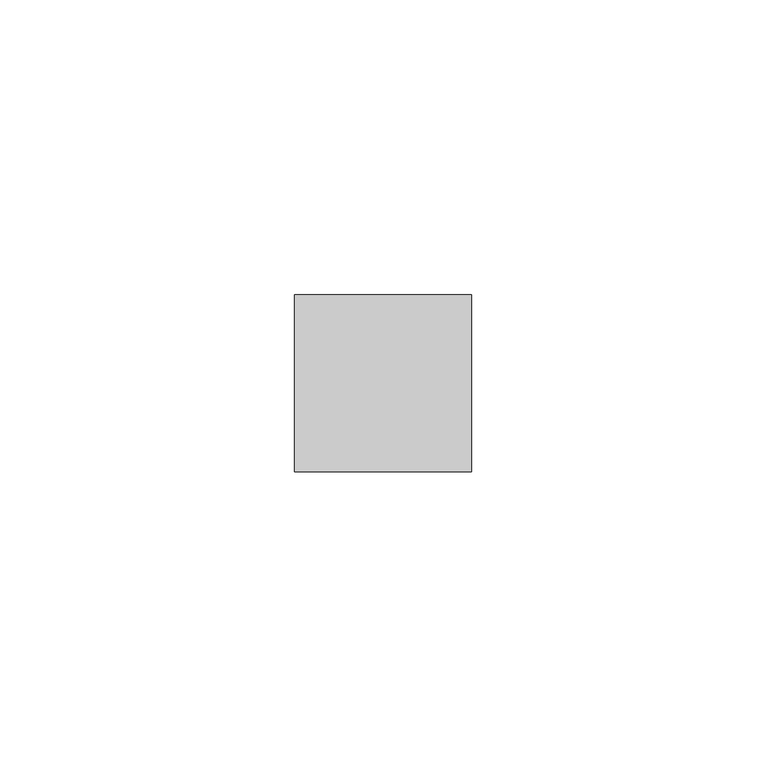
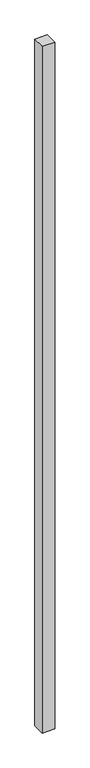
"""IFC4 building model written with IfcOpenShell, lengths in millimetres: member geometry."""

from ifc_helpers import new_model, si_unit, frame, origin, place, context, project, spatial, polyline, outline, extrude, source, transform, mapped, element, save


def member_284e641f(model_context):
    return source(origin(), model_context, "Body", "SweptSolid", [
        extrude(outline(polyline([(15.0, 15.0), (15.0, -15.0), (-15.0, -15.0), (-15.0, 15.0), (15.0, 15.0)])), frame((0.0, 0.0, -1735.0), z_axis=(0.0, 0.0, 1.0), x_axis=(1.0, 0.0, 0.0)), (0.0, 0.0, 1.0), 1735.0),
    ])


if __name__ == "__main__":
    model = new_model("IFC4")
    model_context = context("Model", 3, world=origin())
    ifc_project = project(units=[si_unit("LENGTHUNIT", "METRE", prefix="MILLI")], contexts=[model_context])
    site = spatial("IfcSite", under=ifc_project)
    building = spatial("IfcBuilding", under=site)
    placement = place(None, origin())
    member_shape = member_284e641f(model_context)
    element("IfcMember", 1, at=placement, inside=building, context=model_context, shape_type="MappedRepresentation", body=[
        mapped(member_shape, transform((0.0, 0.0, 0.0), x_axis=(1.0, 0.0, 0.0), y_axis=(0.0, 1.0, 0.0), z_axis=(0.0, 0.0, 1.0))),
    ])
    save(model, "model.ifc")
